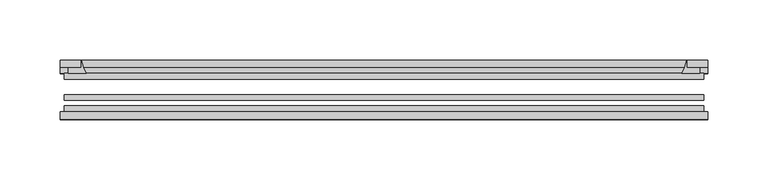
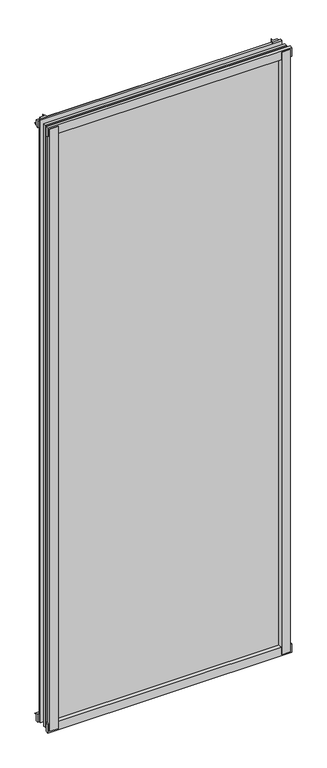
"""IFC4 building model written with IfcOpenShell, lengths in millimetres: plate geometry."""

from ifc_helpers import new_model, si_unit, point, frame, frame_2d, origin, place, context, project, spatial, polyline, circle_curve, trimmed, segment, composite_curve, outline, extrude, source, transform, mapped, element, save


def plate_1b86eeec(model_context):
    return source(origin(), model_context, "Body", "SweptSolid", [
        extrude(outline(composite_curve([segment(polyline([(-265.1125, -78.7828625), (-243.6912987, -78.7828625)]), True, "CONTINUOUS"), segment(trimmed(circle_curve(frame_2d((-236.0541331, -84.652782)), 9.6323545), [point((-243.6912987, -78.7828625))], [point((-245.6745165, -85.1328625))], True, "CARTESIAN"), True, "CONTINUOUS"), segment(polyline([(-245.6745165, -85.1328625), (-265.1125, -85.1328625), (-265.1125, -78.7828625)]), True, "CONTINUOUS")], self_intersect=False)), frame((0.0, 0.0, -14.2875), z_axis=(0.0, 0.0, 1.0), x_axis=(1.0, 0.0, 0.0)), (0.0, 0.0, 1.0), 1400.175),
        extrude(outline(composite_curve([segment(polyline([(265.1544065, -78.7828625), (265.1544065, -85.1328625), (245.6745165, -85.1328625)]), True, "CONTINUOUS"), segment(trimmed(circle_curve(frame_2d((236.0541331, -84.652782)), 9.6323545), [point((245.6745165, -85.1328625))], [point((243.6912987, -78.7828625))], True, "CARTESIAN"), True, "CONTINUOUS"), segment(polyline([(243.6912987, -78.7828625), (265.1544065, -78.7828625)]), True, "CONTINUOUS")], self_intersect=False)), frame((0.0, 0.0, -14.2875), z_axis=(0.0, 0.0, 1.0), x_axis=(1.0, 0.0, 0.0)), (0.0, 0.0, 1.0), 1400.175),
        extrude(outline(composite_curve([segment(polyline([(-47.1852625, -14.2875), (-47.1852625, 3.9588469)]), True, "CONTINUOUS"), segment(trimmed(circle_curve(frame_2d((-30.6824422, 32.267054)), 32.7673262), [point((-47.1852625, 3.9588469))], [point((-36.3503395, -0.00635))], True, "CARTESIAN"), True, "CONTINUOUS"), segment(polyline([(-36.3503395, -0.00635), (-42.2830625, -0.00635), (-42.2830625, -14.2875), (-47.1852625, -14.2875)]), True, "CONTINUOUS")], self_intersect=False)), frame((-268.2875, 0.0, 0.0), z_axis=(1.0, 0.0, 0.0), x_axis=(0.0, 1.0, 0.0)), (0.0, 0.0, 1.0), 536.575),
        extrude(outline(composite_curve([segment(polyline([(-78.7828625, -16.8821065), (-85.1328625, -16.8821065), (-85.1328625, 2.5977835)]), True, "CONTINUOUS"), segment(trimmed(circle_curve(frame_2d((-84.652782, 12.2181669)), 9.6323545), [point((-85.1328625, 2.5977835))], [point((-78.7828625, 4.5810013))], True, "CARTESIAN"), True, "CONTINUOUS"), segment(polyline([(-78.7828625, 4.5810013), (-78.7828625, -16.8821065)]), True, "CONTINUOUS")], self_intersect=False)), frame((-268.2875, 0.0, 0.0), z_axis=(1.0, 0.0, 0.0), x_axis=(0.0, 1.0, 0.0)), (0.0, 0.0, 1.0), 536.575),
        extrude(outline(composite_curve([segment(polyline([(-47.1852625, 1367.6284531), (-47.1852625, 1382.3002564), (-42.2830625, 1382.3002564), (-42.2830625, 1371.6), (-36.3140625, 1371.6)]), True, "CONTINUOUS"), segment(trimmed(circle_curve(frame_2d((-30.6824422, 1339.320246)), 32.7673262), [point((-36.3140625, 1371.6))], [point((-47.1852625, 1367.6284531))], True, "CARTESIAN"), True, "CONTINUOUS")], self_intersect=False)), frame((-268.2875, 0.0, 0.0), z_axis=(1.0, 0.0, 0.0), x_axis=(0.0, 1.0, 0.0)), (0.0, 0.0, 1.0), 536.575),
        extrude(outline(composite_curve([segment(polyline([(-78.7828625, 1388.4694065), (-78.7828625, 1367.0062987)]), True, "CONTINUOUS"), segment(trimmed(circle_curve(frame_2d((-84.652782, 1359.3691331)), 9.6323545), [point((-78.7828625, 1367.0062987))], [point((-85.1328625, 1368.9895165))], True, "CARTESIAN"), True, "CONTINUOUS"), segment(polyline([(-85.1328625, 1368.9895165), (-85.1328625, 1388.4694065), (-78.7828625, 1388.4694065)]), True, "CONTINUOUS")], self_intersect=False)), frame((-268.2875, 0.0, 0.0), z_axis=(1.0, 0.0, 0.0), x_axis=(0.0, 1.0, 0.0)), (0.0, 0.0, 1.0), 536.575),
        extrude(outline(composite_curve([segment(trimmed(circle_curve(frame_2d((218.545246, -30.6824422)), 32.7673262), [point((246.8534531, -47.1852625))], [point((250.825, -36.3140625))], True, "CARTESIAN"), True, "CONTINUOUS"), segment(polyline([(250.825, -36.3140625), (250.825, -42.2830625), (261.5253653, -42.2830625), (261.5253653, -47.1852625), (246.8534531, -47.1852625)]), True, "CONTINUOUS")], self_intersect=False)), frame((0.0, 0.0, -14.2875), z_axis=(0.0, 0.0, 1.0), x_axis=(1.0, 0.0, 0.0)), (0.0, 0.0, 1.0), 1400.175),
        extrude(outline(composite_curve([segment(polyline([(-246.8534531, -47.1852625), (-261.5202092, -47.1852625), (-261.5202092, -42.2830625), (-250.825, -42.2830625), (-250.825, -36.3140625)]), True, "CONTINUOUS"), segment(trimmed(circle_curve(frame_2d((-218.545246, -30.6824422)), 32.7673262), [point((-250.825, -36.3140625))], [point((-246.8534531, -47.1852625))], True, "CARTESIAN"), True, "CONTINUOUS")], self_intersect=False)), frame((0.0, 0.0, -14.2875), z_axis=(0.0, 0.0, 1.0), x_axis=(1.0, 0.0, 0.0)), (0.0, 0.0, 1.0), 1400.175),
        extrude(outline(polyline([(265.1125, -64.6604625), (265.1125, -69.4356625), (-265.1125, -69.4356625), (-265.1125, -64.6604625), (265.1125, -64.6604625)])), frame((0.0, 0.0, -14.2875), z_axis=(0.0, 0.0, 1.0), x_axis=(1.0, 0.0, 0.0)), (0.0, 0.0, 1.0), 1400.175),
        extrude(outline(polyline([(-265.1125, -78.7828625), (-265.1125, -74.0076625), (265.1125, -74.0076625), (265.1125, -78.7828625), (-265.1125, -78.7828625)])), frame((0.0, 0.0, -14.2875), z_axis=(0.0, 0.0, 1.0), x_axis=(1.0, 0.0, 0.0)), (0.0, 0.0, 1.0), 1400.175),
        extrude(outline(polyline([(-265.1125, -47.1852625), (265.1125, -47.1852625), (265.1125, -51.9604625), (-265.1125, -51.9604625), (-265.1125, -47.1852625)])), frame((0.0, 0.0, -14.2875), z_axis=(0.0, 0.0, 1.0), x_axis=(1.0, 0.0, 0.0)), (0.0, 0.0, 1.0), 1400.175),
    ])


if __name__ == "__main__":
    model = new_model("IFC4")
    model_context = context("Model", 3, world=origin())
    ifc_project = project(units=[si_unit("LENGTHUNIT", "METRE", prefix="MILLI")], contexts=[model_context])
    site = spatial("IfcSite", under=ifc_project)
    building = spatial("IfcBuilding", under=site)
    placement = place(None, origin())
    plate_shape = plate_1b86eeec(model_context)
    element("IfcPlate", 1, at=placement, inside=building, context=model_context, shape_type="MappedRepresentation", body=[
        mapped(plate_shape, transform((0.0, 0.0, 0.0), x_axis=(1.0, 0.0, 0.0), y_axis=(0.0, 1.0, 0.0), z_axis=(0.0, 0.0, 1.0))),
    ])
    save(model, "model.ifc")
